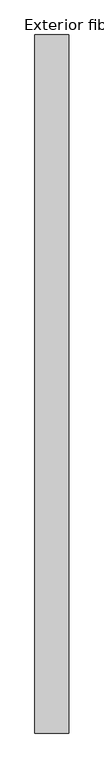
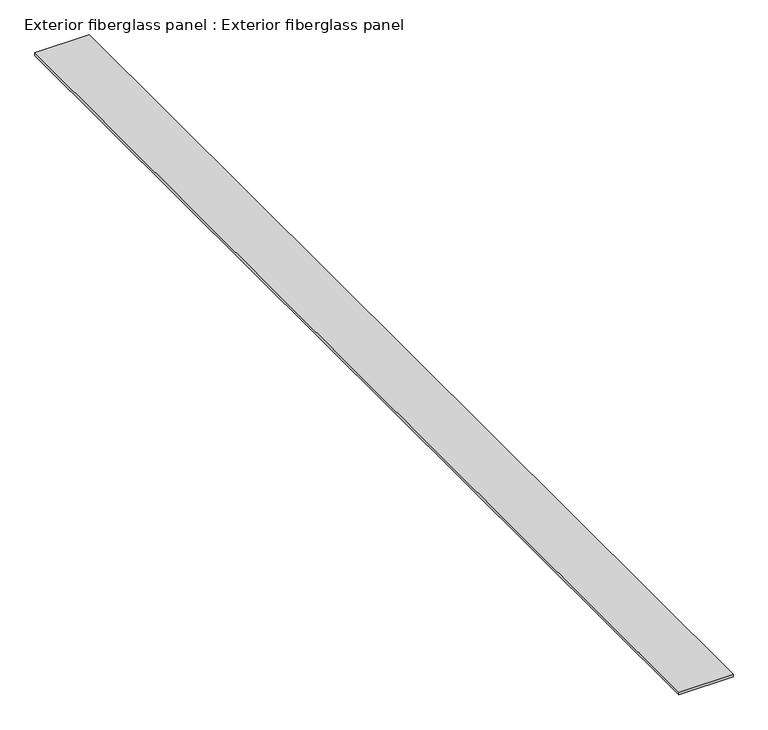
"""IFC4 building model written with IfcOpenShell, lengths in millimetres: proxy geometry, Exterior fiberglass panel : Exterior fiberglass panel."""

from ifc_helpers import new_model, si_unit, frame, origin, place, context, project, spatial, polyline, outline, extrude, source, transform, mapped, element, save


def exterior_fiberglass_panel_exterior_fiberglass_panel_c79c5882(model_context):
    return source(origin(), model_context, "Body", "SweptSolid", [
        extrude(outline(polyline([(38234.875, -25196.3529893), (37916.421875, -25196.3529893), (37916.421875, -18662.4329893), (38234.875, -18662.4329893), (38234.875, -25196.3529893)])), frame((0.0, 0.0, 4102.1000977), z_axis=(0.0, 0.0, 1.0), x_axis=(1.0, 0.0, 0.0)), (0.0, 0.0, 1.0), 16.4243164),
    ])


if __name__ == "__main__":
    model = new_model("IFC4")
    model_context = context("Model", 3, world=origin())
    ifc_project = project(units=[si_unit("LENGTHUNIT", "METRE", prefix="MILLI")], contexts=[model_context])
    site = spatial("IfcSite", under=ifc_project)
    building = spatial("IfcBuilding", under=site)
    placement = place(None, origin())
    exterior_fiberglass_panel_exterior_fiberglass_panel_shape = exterior_fiberglass_panel_exterior_fiberglass_panel_c79c5882(model_context)
    element("IfcBuildingElementProxy", 1, Name="Exterior fiberglass panel : Exterior fiberglass panel", ObjectType="Exterior fiberglass panel : Exterior fiberglass panel", at=placement, inside=building, context=model_context, shape_type="MappedRepresentation", body=[
        mapped(exterior_fiberglass_panel_exterior_fiberglass_panel_shape, transform((0.0, 0.0, 0.0), x_axis=(1.0, 0.0, 0.0), y_axis=(0.0, 1.0, 0.0), z_axis=(0.0, 0.0, 1.0))),
    ])
    save(model, "model.ifc")
